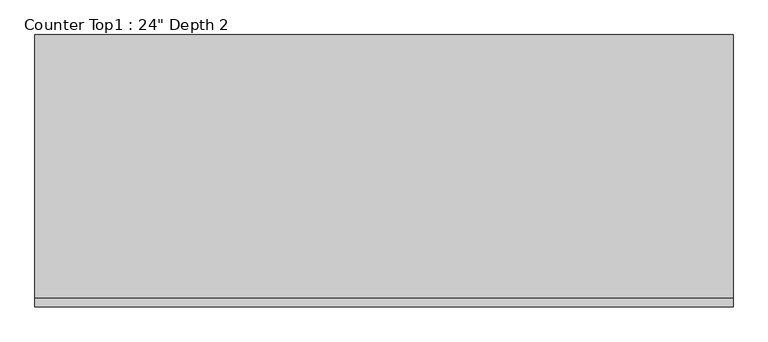
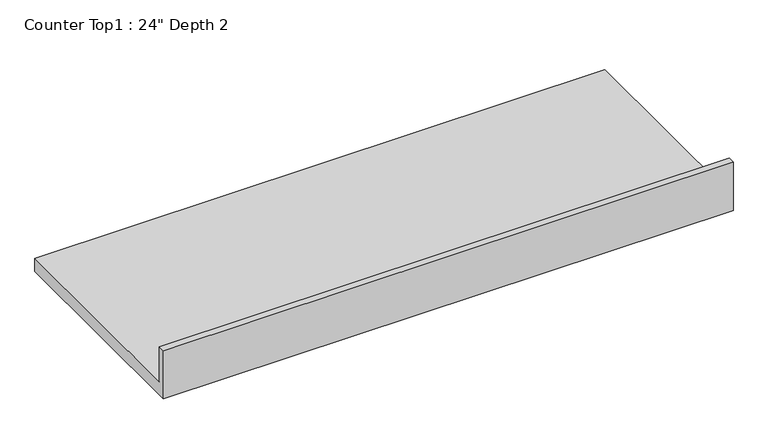
"""IFC4 building model written with IfcOpenShell, lengths in millimetres: furniture geometry."""

from ifc_helpers import new_model, si_unit, frame, origin, place, context, project, spatial, polyline, outline, extrude, source, transform, mapped, element, save


def furniture_390f5186(model_context):
    return source(origin(), model_context, "Body", "SweptSolid", [
        extrude(outline(polyline([(0.0, 1016.0), (19.05, 1016.0), (19.05, 914.4), (609.6, 914.4), (609.6, 876.3), (0.0, 876.3), (0.0, 1016.0)])), frame((-1200.4622951, 0.0, 0.0), z_axis=(1.0, 0.0, 0.0), x_axis=(0.0, 1.0, 0.0)), (0.0, 0.0, 1.0), 1562.5217715),
    ])


if __name__ == "__main__":
    model = new_model("IFC4")
    model_context = context("Model", 3, world=origin())
    ifc_project = project(units=[si_unit("LENGTHUNIT", "METRE", prefix="MILLI")], contexts=[model_context])
    site = spatial("IfcSite", under=ifc_project)
    building = spatial("IfcBuilding", under=site)
    placement = place(None, origin())
    furniture_shape = furniture_390f5186(model_context)
    element("IfcFurniture", 1, ObjectType="Counter Top1 : 24\" Depth 2", at=placement, inside=building, context=model_context, shape_type="MappedRepresentation", body=[
        mapped(furniture_shape, transform((0.0, 0.0, 0.0), x_axis=(1.0, 0.0, 0.0), y_axis=(0.0, 1.0, 0.0), z_axis=(0.0, 0.0, 1.0))),
    ])
    save(model, "model.ifc")
